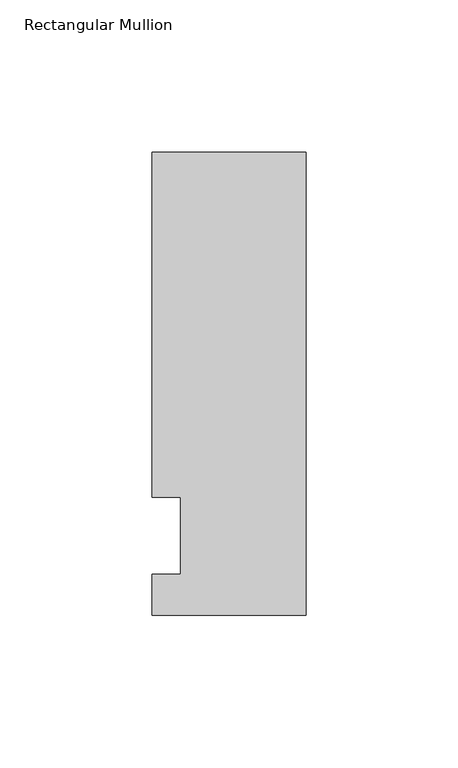
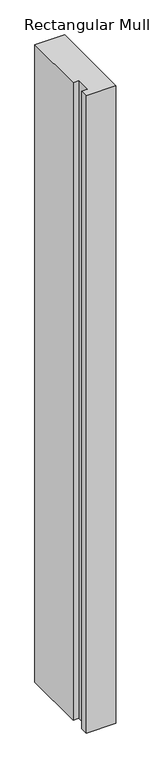
"""IFC4 building model written with IfcOpenShell, lengths in millimetres: member geometry, Rectangular Mullion."""

from ifc_helpers import new_model, si_unit, frame, origin, place, context, project, spatial, polyline, outline, extrude, source, transform, mapped, element, save


def rectangular_mullion_03632047(model_context):
    return source(origin(), model_context, "Body", "SweptSolid", [
        extrude(outline(polyline([(-50.8, -26.19375), (-50.8, -12.7), (-41.275, -12.7), (-41.275, 12.7), (-50.8, 12.7), (-50.8, 126.20625), (0.0, 126.20625), (0.0, -26.19375), (-50.8, -26.19375)])), frame((0.0, 0.0, -1155.7), z_axis=(0.0, 0.0, 1.0), x_axis=(1.0, 0.0, 0.0)), (0.0, 0.0, 1.0), 1155.7),
    ])


if __name__ == "__main__":
    model = new_model("IFC4")
    model_context = context("Model", 3, world=origin())
    ifc_project = project(units=[si_unit("LENGTHUNIT", "METRE", prefix="MILLI")], contexts=[model_context])
    site = spatial("IfcSite", under=ifc_project)
    building = spatial("IfcBuilding", under=site)
    placement = place(None, origin())
    rectangular_mullion_shape = rectangular_mullion_03632047(model_context)
    element("IfcMember", 1, ObjectType="Rectangular Mullion", at=placement, inside=building, context=model_context, shape_type="MappedRepresentation", body=[
        mapped(rectangular_mullion_shape, transform((0.0, 0.0, 0.0), x_axis=(1.0, 0.0, 0.0), y_axis=(0.0, 1.0, 0.0), z_axis=(0.0, 0.0, 1.0))),
    ])
    save(model, "model.ifc")
